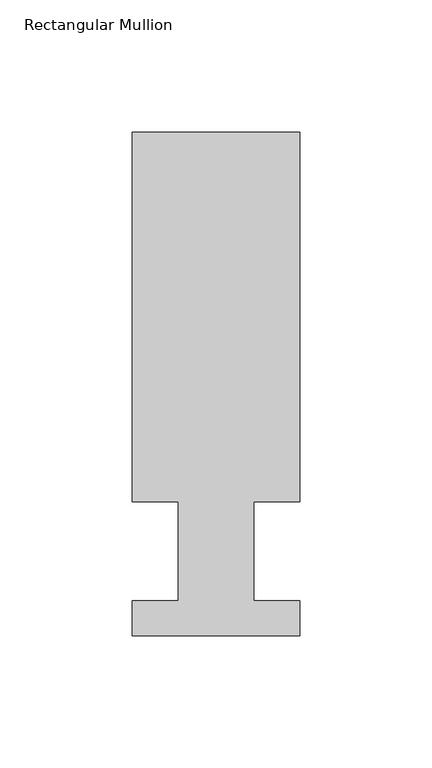
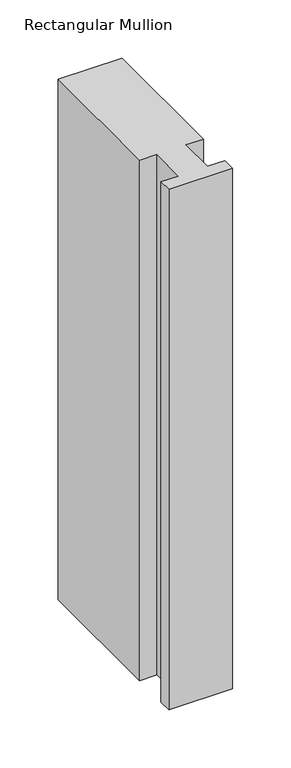
"""IFC4 building model written with IfcOpenShell, lengths in millimetres: member geometry, Rectangular Mullion."""

import ifcopenshell
import ifcopenshell.guid

model = None  # the IFC model being written
_history = None  # IfcOwnerHistory: only IFC2X3 demands one
_inside = {}  # id of a spatial element -> (the spatial element, [elements in it])
_under = {}  # id of a project, library or spatial element -> (it, [spatial elements below it])
_declared = {}  # id of a project -> (the project, [libraries it declares])
_typed = {}  # id of a type object -> (the type object, [elements of that type])
_made_of = {}  # id of a material, layer set ... -> (it, [elements and type objects made of it])


def new_model(schema):
    """Start an empty IFC model of exactly this schema.

    Asked for "IFC4X3", IfcOpenShell would pick the latest addendum, in which some entities
    have other attributes; the version numbers below select the first issue.
    IFC2X3 requires an IfcOwnerHistory on every rooted entity: one is made here for all.
    """
    global model, _history
    if schema == "IFC4X3":
        model = ifcopenshell.file(schema_version=(4, 3, 0, 0))
    else:
        model = ifcopenshell.file(schema=schema)
    _inside.clear()
    _under.clear()
    _declared.clear()
    _typed.clear()
    _made_of.clear()
    _history = None
    if model.schema == "IFC2X3":
        org = make("IfcOrganization", Name="unknown")
        user = make(
            "IfcPersonAndOrganization",
            ThePerson=make("IfcPerson", FamilyName="unknown"),
            TheOrganization=org,
        )
        app = make(
            "IfcApplication",
            ApplicationDeveloper=org,
            Version="unknown",
            ApplicationFullName="unknown",
            ApplicationIdentifier="unknown",
        )
        _history = make(
            "IfcOwnerHistory",
            OwningUser=user,
            OwningApplication=app,
            ChangeAction="ADDED",
            CreationDate=0,
        )
    return model


def make(cls, **values):
    """One entity of the class cls with the attributes given. An attribute that is None is left unset."""
    return model.create_entity(
        cls, **{name: value for name, value in values.items() if value is not None}
    )


def rooted(cls, **values):
    """An entity with a GlobalId (a new one), such as an element, a storey or a relation."""
    return make(cls, GlobalId=ifcopenshell.guid.new(), OwnerHistory=_history, **values)


def si_unit(unit_type, name, prefix=None):
    """IfcSIUnit, for example si_unit("LENGTHUNIT", "METRE", prefix="MILLI")."""
    return make("IfcSIUnit", UnitType=unit_type, Prefix=prefix, Name=name)


def assignment(units):
    """IfcUnitAssignment: the units of a project."""
    return None if units is None else make("IfcUnitAssignment", Units=units)


def point(xyz):
    """IfcCartesianPoint."""
    return None if xyz is None else make("IfcCartesianPoint", Coordinates=xyz)


def direction(xyz):
    """IfcDirection."""
    return None if xyz is None else make("IfcDirection", DirectionRatios=xyz)


def frame(location, z_axis=None, x_axis=None):
    """IfcAxis2Placement3D, a coordinate frame: its origin and axes. An axis left out is left unset."""
    return make(
        "IfcAxis2Placement3D",
        Location=point(location),
        Axis=direction(z_axis),
        RefDirection=direction(x_axis),
    )


def origin():
    """The frame at (0, 0, 0) with its axes left unset."""
    return frame((0.0, 0.0, 0.0))


def place(relative_to, where):
    """IfcLocalPlacement: puts the frame where relative to a parent placement (None: the world)."""
    return make(
        "IfcLocalPlacement", PlacementRelTo=relative_to, RelativePlacement=where
    )


def context(
    kind, dimensions, precision=None, world=None, true_north=None, identifier=None
):
    """IfcGeometricRepresentationContext, for example the 3D "Model" context."""
    return make(
        "IfcGeometricRepresentationContext",
        ContextIdentifier=identifier,
        ContextType=kind,
        CoordinateSpaceDimension=dimensions,
        Precision=precision,
        WorldCoordinateSystem=world,
        TrueNorth=true_north,
    )


def project(units=None, contexts=None):
    """IfcProject with its units and contexts."""
    return rooted(
        "IfcProject",
        Name="project",
        RepresentationContexts=contexts,
        UnitsInContext=assignment(units),
    )


def spatial(cls, under=None, at=None, **own):
    """A site, building, storey or space (cls), placed at a placement, below another one or the project."""
    s = rooted(cls, ObjectPlacement=at, **own)
    if under is not None:
        _under.setdefault(under.id(), (under, []))[1].append(s)
    return s


def polyline(points):
    """IfcPolyline through the points."""
    return make("IfcPolyline", Points=[point(p) for p in points])


def outline(outer, holes=None, kind="AREA"):
    """IfcArbitraryClosedProfileDef: a profile drawn as a closed curve; with holes, ...WithVoids."""
    if holes is None:
        return make("IfcArbitraryClosedProfileDef", ProfileType=kind, OuterCurve=outer)
    return make(
        "IfcArbitraryProfileDefWithVoids",
        ProfileType=kind,
        OuterCurve=outer,
        InnerCurves=holes,
    )


def extrude(swept, where, along, depth):
    """IfcExtrudedAreaSolid: the profile swept, set in the frame where, extruded along a direction by depth."""
    return make(
        "IfcExtrudedAreaSolid",
        SweptArea=swept,
        Position=where,
        ExtrudedDirection=direction(along),
        Depth=depth,
    )


def shape(context_of_items, identifier, shape_type, items):
    """IfcShapeRepresentation: the items that make up one representation, for example the "Body"."""
    return make(
        "IfcShapeRepresentation",
        ContextOfItems=context_of_items,
        RepresentationIdentifier=identifier,
        RepresentationType=shape_type,
        Items=items,
    )


def source(mapping_origin, context_of_items, identifier, shape_type, items):
    """IfcRepresentationMap: a shape defined once, which mapped items show again and again."""
    return make(
        "IfcRepresentationMap",
        MappingOrigin=mapping_origin,
        MappedRepresentation=shape(context_of_items, identifier, shape_type, items),
    )


def transform(
    local_origin,
    x_axis=None,
    y_axis=None,
    z_axis=None,
    scale=None,
    scale2=None,
    scale3=None,
    uniform=True,
):
    """IfcCartesianTransformationOperator3D, or its non-uniform kind. x_axis, y_axis, z_axis: its Axis1, 2, 3."""
    if uniform:
        return make(
            "IfcCartesianTransformationOperator3D",
            Axis1=direction(x_axis),
            Axis2=direction(y_axis),
            LocalOrigin=point(local_origin),
            Scale=scale,
            Axis3=direction(z_axis),
        )
    return make(
        "IfcCartesianTransformationOperator3DnonUniform",
        Axis1=direction(x_axis),
        Axis2=direction(y_axis),
        LocalOrigin=point(local_origin),
        Scale=scale,
        Axis3=direction(z_axis),
        Scale2=scale2,
        Scale3=scale3,
    )


def mapped(mapping_source, mapping_target):
    """IfcMappedItem: shows the shape of a source again, moved by a transform."""
    return make(
        "IfcMappedItem", MappingSource=mapping_source, MappingTarget=mapping_target
    )


def made_of(thing, what):
    """Note that an element or type object is made of a material, layer set ...; save() writes the relation."""
    if what is not None:
        _made_of.setdefault(what.id(), (what, []))[1].append(thing)
    return thing


def element(
    cls,
    number,
    at=None,
    inside=None,
    cuts=None,
    type_object=None,
    material=None,
    context=None,
    identifier="Body",
    shape_type=None,
    held_by="IfcProductDefinitionShape",
    body=None,
    shapes=None,
    **own,
):
    """One element of the class cls, such as IfcWall. Its Tag is "e" and its number.

    at: its placement. inside: the storey or other place that contains it. cuts: it is an
    opening in that element (IfcRelVoidsElement). A single representation is given by context,
    identifier, shape_type and body (its items); several are given by shapes. held_by: the class
    of the entity that holds the representations. save() writes the other relations.
    """
    e = rooted(cls, Tag="e%d" % number, ObjectPlacement=at, **own)
    if body is not None:
        shapes = [shape(context, identifier, shape_type, body)]
    if shapes is not None:
        e.Representation = make(held_by, Representations=shapes)
    if inside is not None:
        _inside.setdefault(inside.id(), (inside, []))[1].append(e)
    if cuts is not None:
        rooted(
            "IfcRelVoidsElement", RelatingBuildingElement=cuts, RelatedOpeningElement=e
        )
    if type_object is not None:
        _typed.setdefault(type_object.id(), (type_object, []))[1].append(e)
    return made_of(e, material)


def aggregate(whole, parts):
    """IfcRelAggregates: a whole, such as a stair, and the parts it consists of."""
    return rooted("IfcRelAggregates", RelatingObject=whole, RelatedObjects=parts)


def save(model, path):
    """Write the relations noted so far, then the file.

    IfcRelAggregates (storeys below a building ...), IfcRelContainedInSpatialStructure (elements
    in a storey), IfcRelDefinesByType, IfcRelAssociatesMaterial and IfcRelDeclares: one each for
    every whole, place, type object, material and project.
    """
    for whole, parts in _under.values():
        aggregate(whole, parts)
    for where, things in _inside.values():
        rooted(
            "IfcRelContainedInSpatialStructure",
            RelatedElements=things,
            RelatingStructure=where,
        )
    for kind, things in _typed.values():
        rooted("IfcRelDefinesByType", RelatedObjects=things, RelatingType=kind)
    for what, things in _made_of.values():
        rooted("IfcRelAssociatesMaterial", RelatedObjects=things, RelatingMaterial=what)
    for by, libraries in _declared.values():
        rooted("IfcRelDeclares", RelatingContext=by, RelatedDefinitions=libraries)
    model.write(path)


def rectangular_mullion_4561e931(model_context):
    return source(origin(), model_context, "Body", "SweptSolid", [
        extrude(outline(polyline([(-63.4999996, 190.7881313), (9e-07, 190.7881313), (9e-07, 50.8087294), (-17.4624995, 50.8087294), (-17.4624995, 13.3945312), (8e-07, 13.3945312), (8e-07, 0.2119312), (-63.4999992, 0.2119312), (-63.4999992, 13.3945312), (-46.0247992, 13.3945312), (-46.0247992, 50.8087294), (-63.4999996, 50.8087294), (-63.4999996, 190.7881313)])), frame((0.0, 0.0, -546.1000004), z_axis=(0.0, 0.0, 1.0), x_axis=(1.0, 0.0, 0.0)), (0.0, 0.0, 1.0), 546.1000004),
    ])


if __name__ == "__main__":
    model = new_model("IFC4")
    model_context = context("Model", 3, world=origin())
    ifc_project = project(units=[si_unit("LENGTHUNIT", "METRE", prefix="MILLI")], contexts=[model_context])
    site = spatial("IfcSite", under=ifc_project)
    building = spatial("IfcBuilding", under=site)
    placement = place(None, origin())
    rectangular_mullion_shape = rectangular_mullion_4561e931(model_context)
    element("IfcMember", 1, ObjectType="Rectangular Mullion", at=placement, inside=building, context=model_context, shape_type="MappedRepresentation", body=[
        mapped(rectangular_mullion_shape, transform((0.0, 0.0, 0.0), x_axis=(1.0, 0.0, 0.0), y_axis=(0.0, 1.0, 0.0), z_axis=(0.0, 0.0, 1.0))),
    ])
    save(model, "model.ifc")
